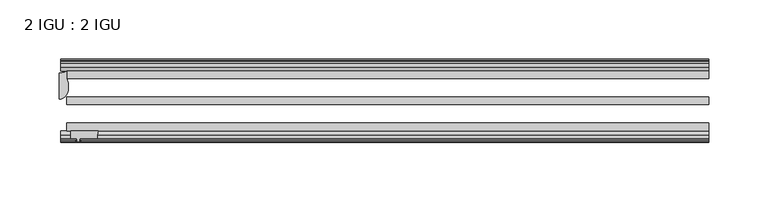
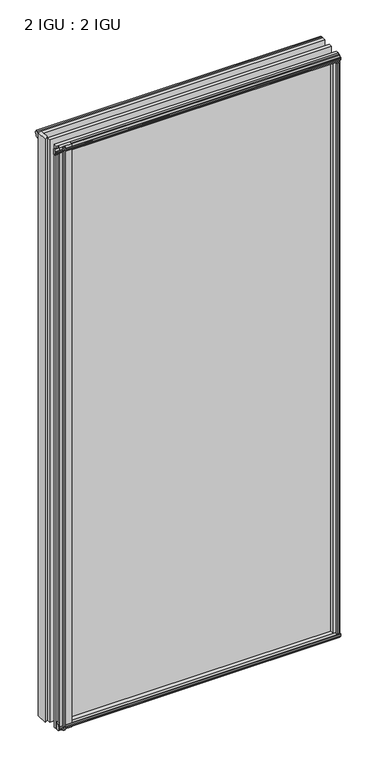
"""IFC4 building model written with IfcOpenShell, lengths in millimetres: plate geometry, 2 IGU : 2 IGU."""

from ifc_helpers import new_model, si_unit, point, frame, frame_2d, origin, origin_with_axes, place, context, project, spatial, polyline, circle_curve, ellipse_curve, trimmed, segment, composite_curve, outline, extrude, source, transform, mapped, element, save
from ifc_brep_helpers import plane_surface, cylinder_surface, revolved_surface, extruded_surface, advanced_brep


def plate_2_igu_2_igu_e056c8d0(model_context):
    return source(origin(), model_context, "Body", "SolidModel", [
        advanced_brep(
        [(-282.575, -21.2713143, -12.303125), (-276.225, -19.5460937, -12.303125), (-276.225, -25.8960937, -12.303125), (-275.0104224, -33.7460937, -12.303125), (-282.575, -43.2929845, -12.303125), (-282.575, -21.2713143, 1168.4), (-282.575, -43.2929845, 1168.4), (-275.0104224, -33.7460937, 1168.4), (-276.225, -25.8960937, 1168.4), (-276.225, -19.5460937, 1168.4)],
        [
            (0, 1, circle_curve(frame((-282.575, -8.7225169, -12.303125), z_axis=(0.0, 0.0, 1.0), x_axis=(1.0, 0.0, 0.0)), 12.5487974)),
            (1, 2),
            (2, 3, circle_curve(frame((-300.9855831, -33.7460937, -12.303125), z_axis=(0.0, 0.0, -1.0), x_axis=(1.0, 0.0, 0.0)), 25.9751607)),
            (3, 4, ellipse_curve(frame((-282.575, -33.7460937, -12.303125), z_axis=(0.0, 0.0, -1.0), x_axis=(0.0, 1.0, 0.0)), 9.5468907, 7.5645776)),
            (4, 0),
            (5, 6),
            (6, 7, ellipse_curve(frame((-282.575, -33.7460937, 1168.4), z_axis=(0.0, 0.0, 1.0), x_axis=(0.0, 1.0, 0.0)), 9.5468907, 7.5645776)),
            (7, 8, circle_curve(frame((-300.9855831, -33.7460937, 1168.4), z_axis=(0.0, 0.0, 1.0), x_axis=(1.0, 0.0, 0.0)), 25.9751607)),
            (8, 9),
            (9, 5, circle_curve(frame((-282.575, -8.7225169, 1168.4), z_axis=(0.0, 0.0, -1.0), x_axis=(1.0, 0.0, 0.0)), 12.5487974)),
            (0, 5),
            (9, 1),
            (8, 2),
            (7, 3),
            (6, 4),
        ],
        [
            plane_surface(frame((-282.575, -13.1960937, -12.303125), z_axis=(0.0, 0.0, -1.0), x_axis=(0.0, 1.0, 0.0))),
            plane_surface(frame((-282.575, -13.1960937, 1168.4), z_axis=(0.0, 0.0, 1.0), x_axis=(0.0, 1.0, 0.0))),
            revolved_surface(polyline([(-270.0262026, -8.7225169, 1168.4), (-270.0262026, -8.7225169, -12.303125)]), (-282.575, -8.7225169, -12.303125), (0.0, 0.0, 1.0)),
            plane_surface(frame((-276.225, -19.5460937, -12.303125), z_axis=(1.0, 0.0, 0.0), x_axis=(0.0, 0.0, 1.0))),
            cylinder_surface(frame((-300.9855831, -33.7460937, -12.303125), z_axis=(0.0, 0.0, -1.0), x_axis=(1.0, 0.0, 0.0)), 25.9751607),
            extruded_surface(trimmed(ellipse_curve(frame((-282.575, -33.7460937, 1168.4), z_axis=(0.0, 0.0, -1.0), x_axis=(0.0, 1.0, 0.0)), 9.5468907, 7.5645776), [point((-275.0104224, -33.7460937, 1168.4))], [point((-282.575, -43.2929845, 1168.4))], True, "CARTESIAN"), (0.0, 0.0, -1180.703125), 1180.703125),
            plane_surface(frame((-282.575, -43.2929845, -12.303125), z_axis=(-1.0, 0.0, 0.0), x_axis=(0.0, 0.0, 1.0))),
        ],
        [
            (0, [[1, 2, 3, 4, 5]]),
            (1, [[6, 7, 8, 9, 10]]),
            (2, [[-1, 11, -10, 12]]),
            (3, [[-2, -12, -9, 13]]),
            (4, [[-3, -13, -8, 14]]),
            (5, [[-4, -14, -7, 15]]),
            (6, [[-5, -15, -6, -11]]),
        ],
    ),
        extrude(outline(polyline([(255.5181709, -10.4746158), (257.6957, -9.7670937), (259.8732291, -10.4746158), (259.8732291, -11.27583), (258.4577, -10.8158968), (258.8387, -13.1960937), (263.2837, -13.1960937), (263.2837, -16.1424937), (260.4493578, -19.5460937), (249.6279819, -19.5460937), (251.3457, -13.1960937), (256.5527, -13.1960937), (256.9337, -10.8158968), (255.5181709, -11.27583), (255.5181709, -10.4746158)])), origin_with_axes(), (0.0, 0.0, 1.0), 1155.7),
        extrude(outline(composite_curve([segment(polyline([(-273.05, -69.9960936), (-249.8412713, -69.9960936)]), True, "CONTINUOUS"), segment(trimmed(circle_curve(frame_2d((-238.4838743, -75.0067563)), 12.4135896), [point((-249.8412713, -69.9960936))], [point((-250.825, -76.3460936))], True, "CARTESIAN"), True, "CONTINUOUS"), segment(polyline([(-250.825, -76.3460936), (-265.43, -76.3460936), (-265.7475, -78.4506955), (-264.5288941, -78.124171), (-264.3251, -78.884741), (-266.7, -79.5210936), (-269.0749, -78.884741), (-268.8711059, -78.124171), (-267.6525, -78.4506955), (-267.97, -76.3460936), (-273.05, -76.3460936), (-273.05, -69.9960936)]), True, "CONTINUOUS")], self_intersect=False)), frame((0.0, 0.0, -12.4587), z_axis=(0.0, 0.0, 1.0), x_axis=(1.0, 0.0, 0.0)), (0.0, 0.0, 1.0), 1180.6174),
        extrude(outline(polyline([(-19.5460937, 1.5938931), (-13.1960937, -0.123825), (-13.1960937, -5.330825), (-10.8158968, -5.711825), (-11.27583, -4.2962959), (-10.4746158, -4.2962959), (-9.7670937, -6.473825), (-10.4746158, -8.6513541), (-11.27583, -8.6513541), (-10.8158968, -7.235825), (-13.1960937, -7.616825), (-13.1960937, -12.061825), (-16.1424937, -12.061825), (-19.5460937, -9.2274828), (-19.5460937, 1.5938931)])), frame((-276.225, 0.0, 0.0), z_axis=(1.0, 0.0, 0.0), x_axis=(0.0, 1.0, 0.0)), (0.0, 0.0, 1.0), 539.75),
        extrude(outline(polyline([(-69.9960936, 2.1145931), (-69.9960936, -8.7067828), (-73.3996936, -11.541125), (-76.3460936, -11.541125), (-76.3460936, -7.096125), (-78.7262905, -6.715125), (-78.2663573, -8.1306541), (-79.0675715, -8.1306541), (-79.7750936, -5.953125), (-79.0675715, -3.7755959), (-78.2663573, -3.7755959), (-78.7262905, -5.191125), (-76.3460936, -4.810125), (-76.3460936, 0.396875), (-69.9960936, 2.1145931)])), frame((-276.225, 0.0, 0.0), z_axis=(1.0, 0.0, 0.0), x_axis=(0.0, 1.0, 0.0)), (0.0, 0.0, 1.0), 539.75),
        extrude(outline(polyline([(-10.8158968, 1163.3327), (-11.27583, 1164.7482291), (-10.4746158, 1164.7482291), (-9.7670937, 1162.5707), (-10.4746158, 1160.3931709), (-11.27583, 1160.3931709), (-10.8158968, 1161.8087), (-13.1960937, 1161.4277), (-13.1960937, 1156.2207), (-19.5460937, 1154.5029819), (-19.5460937, 1165.3243578), (-16.1424937, 1168.1587), (-13.1960937, 1168.1587), (-13.1960937, 1163.7137), (-10.8158968, 1163.3327)])), frame((-281.5711059, 0.0, 0.0), z_axis=(1.0, 0.0, 0.0), x_axis=(0.0, 1.0, 0.0)), (0.0, 0.0, 1.0), 545.0961059),
        extrude(outline(polyline([(-76.3460936, 1167.638), (-73.3996936, 1167.638), (-69.9960936, 1164.8036578), (-69.9960936, 1153.9822819), (-76.3460936, 1155.7), (-76.3460936, 1160.907), (-78.7262905, 1161.288), (-78.2663573, 1159.8724709), (-79.0675715, 1159.8724709), (-79.7750936, 1162.05), (-79.0675715, 1164.2275291), (-78.2663573, 1164.2275291), (-78.7262905, 1162.812), (-76.3460936, 1163.193), (-76.3460936, 1167.638)])), frame((-281.5711059, 0.0, 0.0), z_axis=(1.0, 0.0, 0.0), x_axis=(0.0, 1.0, 0.0)), (0.0, 0.0, 1.0), 545.0961059),
        extrude(outline(polyline([(249.1072819, -69.9960936), (259.9286578, -69.9960936), (262.763, -73.3996936), (262.763, -76.3460936), (258.318, -76.3460936), (257.937, -78.7262905), (259.3525291, -78.2663573), (259.3525291, -79.0675715), (257.175, -79.7750936), (254.9974709, -79.0675715), (254.9974709, -78.2663573), (256.413, -78.7262905), (256.032, -76.3460936), (250.825, -76.3460936), (249.1072819, -69.9960936)])), origin_with_axes(), (0.0, 0.0, 1.0), 1155.7),
        extrude(outline(polyline([(263.525, -19.5460937), (263.525, -25.8960937), (-276.225, -25.8960937), (-276.225, -19.5460937), (263.525, -19.5460937)])), frame((0.0, 0.0, -12.303125), z_axis=(0.0, 0.0, 1.0), x_axis=(1.0, 0.0, 0.0)), (0.0, 0.0, 1.0), 1180.703125),
        extrude(outline(polyline([(-276.225, -41.5960937), (263.525, -41.5960937), (263.525, -47.9460937), (-276.225, -47.9460937), (-276.225, -41.5960937)])), frame((0.0, 0.0, -12.303125), z_axis=(0.0, 0.0, 1.0), x_axis=(1.0, 0.0, 0.0)), (0.0, 0.0, 1.0), 1180.703125),
        extrude(outline(polyline([(263.525, -63.6460936), (263.525, -69.9960936), (-276.225, -69.9960936), (-276.225, -63.6460936), (263.525, -63.6460936)])), frame((0.0, 0.0, -12.303125), z_axis=(0.0, 0.0, 1.0), x_axis=(1.0, 0.0, 0.0)), (0.0, 0.0, 1.0), 1180.703125),
    ])


if __name__ == "__main__":
    model = new_model("IFC4")
    model_context = context("Model", 3, world=origin())
    ifc_project = project(units=[si_unit("LENGTHUNIT", "METRE", prefix="MILLI")], contexts=[model_context])
    site = spatial("IfcSite", under=ifc_project)
    building = spatial("IfcBuilding", under=site)
    placement = place(None, origin())
    plate_2_igu_2_igu_shape = plate_2_igu_2_igu_e056c8d0(model_context)
    element("IfcPlate", 1, ObjectType="2 IGU : 2 IGU", at=placement, inside=building, context=model_context, shape_type="MappedRepresentation", body=[
        mapped(plate_2_igu_2_igu_shape, transform((0.0, 0.0, 0.0), x_axis=(1.0, 0.0, 0.0), y_axis=(0.0, 1.0, 0.0), z_axis=(0.0, 0.0, 1.0))),
    ])
    save(model, "model.ifc")
